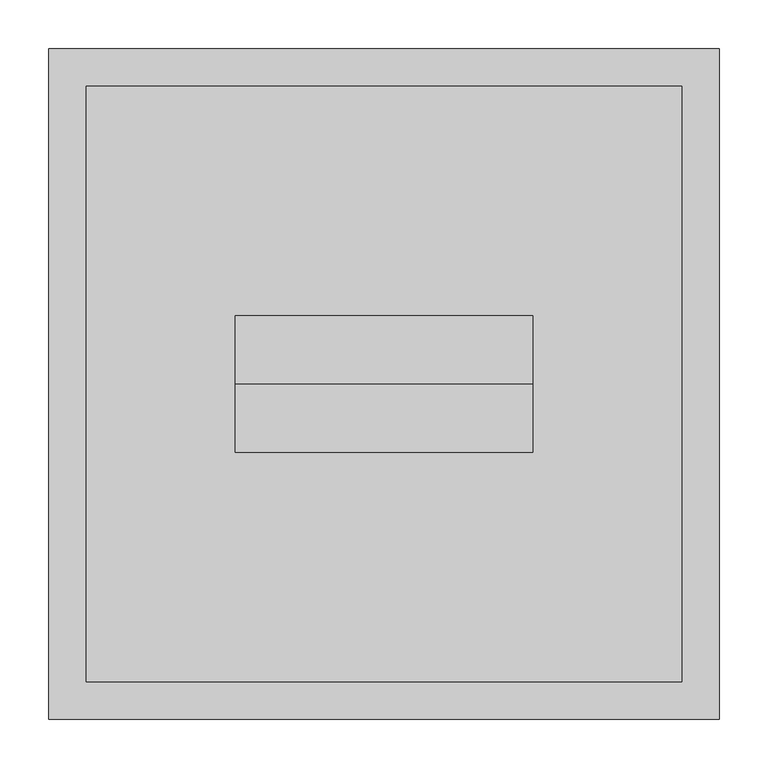
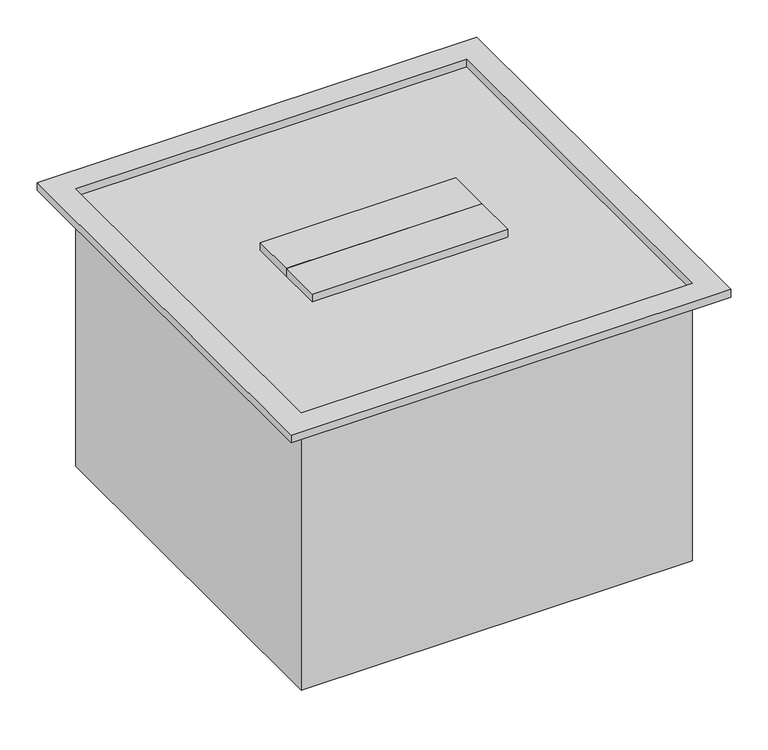
"""IFC4 building model written with IfcOpenShell, lengths in millimetres: proxy geometry."""

from ifc_helpers import new_model, si_unit, frame, origin, origin_with_axes, place, context, project, spatial, polyline, outline, extrude, source, transform, mapped, element, save


def generic_models_d2f68ccb(model_context):
    return source(origin(), model_context, "Body", "SweptSolid", [
        extrude(outline(polyline([(-152.4, 0.0), (-152.4, 69.85), (152.4, 69.85), (152.4, 0.0), (-152.4, 0.0)])), frame((0.0, 0.0, 444.5), z_axis=(0.0, 0.0, 1.0), x_axis=(1.0, 0.0, 0.0)), (0.0, 0.0, 1.0), 12.7),
        extrude(outline(polyline([(-152.4, 0.0), (152.4, 0.0), (152.4, -69.85), (-152.4, -69.85), (-152.4, 0.0)])), frame((0.0, 0.0, 444.5), z_axis=(0.0, 0.0, 1.0), x_axis=(1.0, 0.0, 0.0)), (0.0, 0.0, 1.0), 12.7),
        extrude(outline(polyline([(342.9, 342.9), (342.9, -342.9), (-342.9, -342.9), (-342.9, 342.9), (342.9, 342.9)]), holes=[polyline([(304.8, 304.8), (-304.8, 304.8), (-304.8, -304.8), (304.8, -304.8), (304.8, 304.8)])]), frame((0.0, 0.0, 444.5), z_axis=(0.0, 0.0, 1.0), x_axis=(1.0, 0.0, 0.0)), (0.0, 0.0, 1.0), 12.7),
        extrude(outline(polyline([(304.8, 304.8), (304.8, -304.8), (-304.8, -304.8), (-304.8, 304.8), (304.8, 304.8)])), origin_with_axes(), (0.0, 0.0, 1.0), 444.5),
    ])


if __name__ == "__main__":
    model = new_model("IFC4")
    model_context = context("Model", 3, world=origin())
    ifc_project = project(units=[si_unit("LENGTHUNIT", "METRE", prefix="MILLI")], contexts=[model_context])
    site = spatial("IfcSite", under=ifc_project)
    building = spatial("IfcBuilding", under=site)
    placement = place(None, origin())
    generic_models_shape = generic_models_d2f68ccb(model_context)
    element("IfcBuildingElementProxy", 1, Name="Generic Models", at=placement, inside=building, context=model_context, shape_type="MappedRepresentation", body=[
        mapped(generic_models_shape, transform((0.0, 0.0, 0.0), x_axis=(1.0, 0.0, 0.0), y_axis=(0.0, 1.0, 0.0), z_axis=(0.0, 0.0, 1.0))),
    ])
    save(model, "model.ifc")
